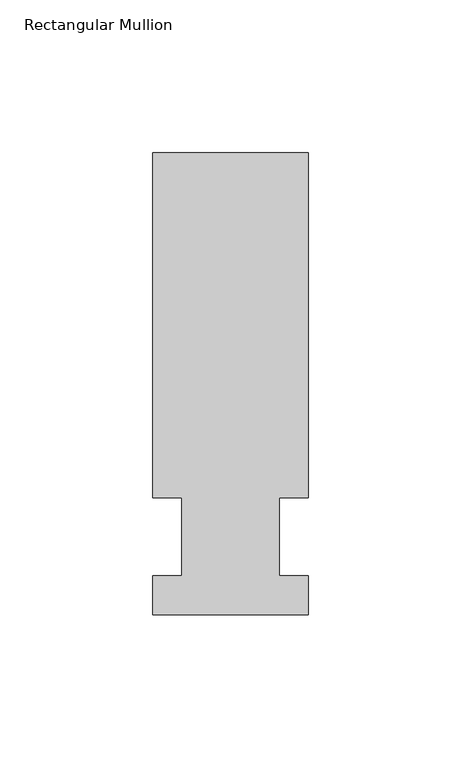
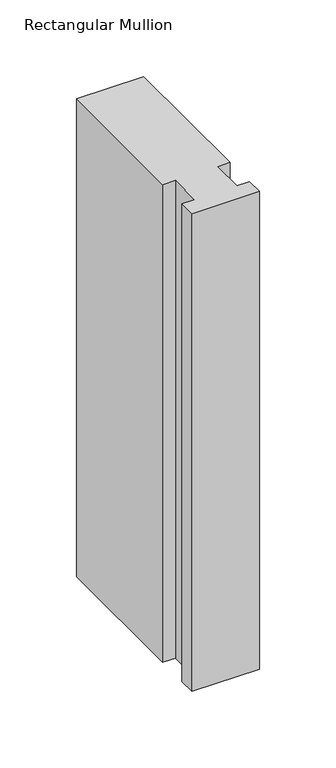
"""IFC4 building model written with IfcOpenShell, lengths in millimetres: member geometry, Rectangular Mullion."""

from ifc_helpers import new_model, si_unit, frame, origin, place, context, project, spatial, polyline, outline, extrude, source, transform, mapped, element, save


def rectangular_mullion_6fe6b49e(model_context):
    return source(origin(), model_context, "Body", "SweptSolid", [
        extrude(outline(polyline([(-25.4, -25.58415), (-25.4, -12.7), (-15.875, -12.7), (-15.875, 12.7), (-25.4, 12.7), (-25.4, 125.59665), (25.4, 125.59665), (25.4, 12.7), (15.875, 12.7), (15.875, -12.7), (25.4, -12.7), (25.4, -25.58415), (-25.4, -25.58415)])), frame((0.0, 0.0, -381.0), z_axis=(0.0, 0.0, 1.0), x_axis=(1.0, 0.0, 0.0)), (0.0, 0.0, 1.0), 381.0),
    ])


if __name__ == "__main__":
    model = new_model("IFC4")
    model_context = context("Model", 3, world=origin())
    ifc_project = project(units=[si_unit("LENGTHUNIT", "METRE", prefix="MILLI")], contexts=[model_context])
    site = spatial("IfcSite", under=ifc_project)
    building = spatial("IfcBuilding", under=site)
    placement = place(None, origin())
    rectangular_mullion_shape = rectangular_mullion_6fe6b49e(model_context)
    element("IfcMember", 1, ObjectType="Rectangular Mullion", at=placement, inside=building, context=model_context, shape_type="MappedRepresentation", body=[
        mapped(rectangular_mullion_shape, transform((0.0, 0.0, 0.0), x_axis=(1.0, 0.0, 0.0), y_axis=(0.0, 1.0, 0.0), z_axis=(0.0, 0.0, 1.0))),
    ])
    save(model, "model.ifc")
